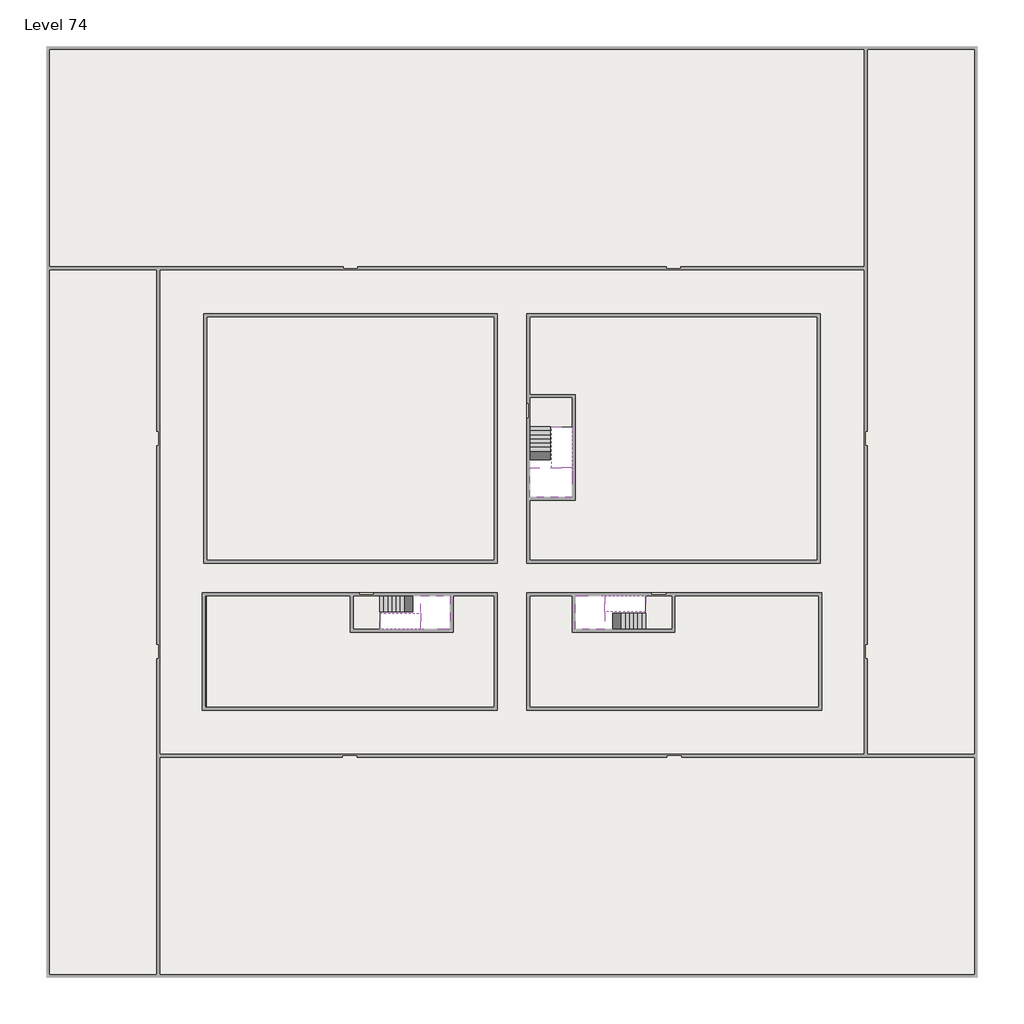
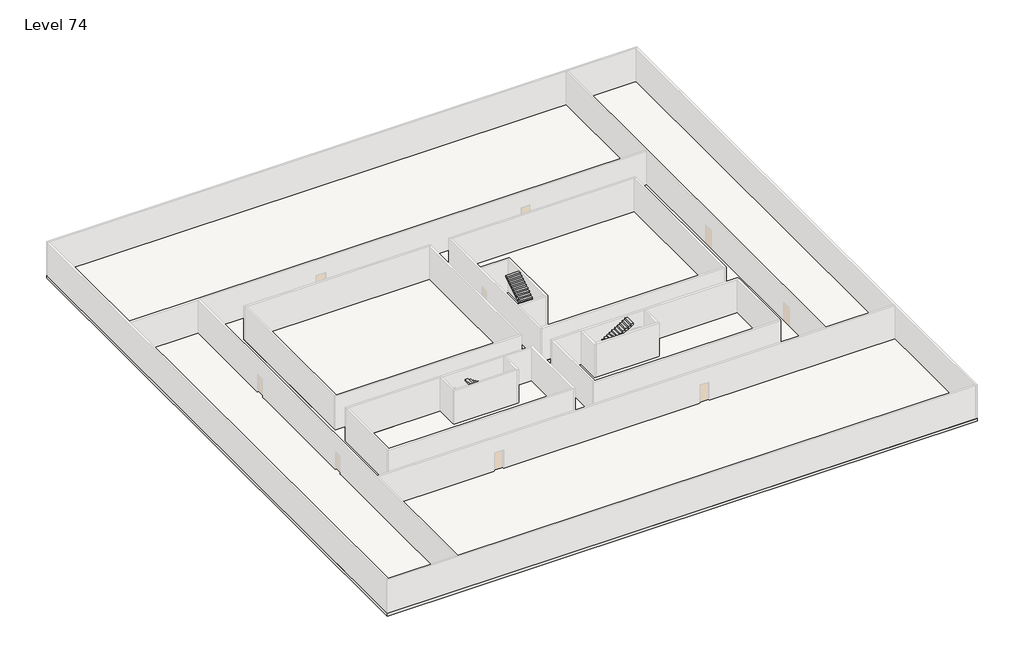
# One storey, part 2 of 2: 6 slabs, 6 stair flights.
"""IFC4 building model written with IfcOpenShell, lengths in millimetres."""

from ifc_helpers import new_model, si_unit, frame, origin, place, context, project, spatial, polyline, outline, extrude, faceted_brep, element, save

model = new_model("IFC4")

# Units and contexts
model_context = context("Model", 3, world=origin())
ifc_project = project(units=[si_unit("LENGTHUNIT", "METRE", prefix="MILLI")], contexts=[model_context])

# Site, building, storey
site = spatial("IfcSite", under=ifc_project)
building = spatial("IfcBuilding", under=site)
storey = spatial("IfcBuildingStorey", under=building, Name="Level 74", Elevation=277400.0)

# Slabs
placement = place(None, origin())
element("IfcSlab", 1, at=placement, inside=storey, context=model_context, shape_type="SweptSolid", body=[
    extrude(outline(polyline([(55890.1058784, -5518.09644), (55890.1058784, -68918.09644), (-7509.8941216, -68918.09644), (-7509.8941216, -5518.09644), (55890.1058784, -5518.09644)]), holes=[polyline([(23190.1058784, -23718.09644), (3190.1058784, -23718.09644), (3190.1058784, -40718.09644), (23190.1058784, -40718.09644), (23190.1058784, -23718.09644)]), polyline([(45190.1058784, -23718.09644), (25190.1058784, -23718.09644), (25190.1058784, -40718.09644), (45190.1058784, -40718.09644), (45190.1058784, -23718.09644)]), polyline([(23190.1058784, -50718.09644), (23190.1058784, -42718.09644), (3390.1058784, -42718.09644), (3390.1058784, -50718.09644), (23190.1058784, -50718.09644)]), polyline([(25190.1058784, -50718.09644), (45190.1058784, -50718.09644), (45190.1058784, -42718.09644), (25190.1058784, -42718.09644), (25190.1058784, -50718.09644)])]), frame((0.0, 0.0, 277100.0), z_axis=(0.0, 0.0, 1.0), x_axis=(1.0, 0.0, 0.0)), (0.0, 0.0, 1.0), 300.0),
])
element("IfcSlab", 2, at=placement, inside=storey, context=model_context, shape_type="Brep", body=[
    faceted_brep([(26790.1058784, -34218.09644, 279300.0), (25390.1058784, -34218.09644, 279300.0), (25390.1058784, -34297.4828763, 279300.0), (25390.1058784, -36218.09644, 279300.0), (28290.1058784, -36218.09644, 279300.0), (28290.1058784, -34418.7100038, 279300.0), (28290.1058784, -34218.09644, 279300.0), (26890.1058784, -34218.09644, 279300.0), (26790.1058784, -34218.09644, 279000.0), (26790.1058784, -34218.09644, 278951.0278478), (25390.1058784, -34218.09644, 278951.0278478), (25390.1058784, -34218.09644, 279127.2727273), (25390.1058784, -34297.4828763, 279000.0), (25390.1058784, -36218.09644, 279000.0), (28290.1058784, -36218.09644, 279000.0), (28290.1058784, -34418.7100038, 279000.0), (28290.1058784, -34218.09644, 279123.7551205), (26890.1058784, -34218.09644, 279123.7551205), (26890.1058784, -34218.09644, 279000.0), (26890.1058784, -34418.7100038, 279000.0), (26790.1058784, -34297.4828763, 279000.0)], [[[0, 1, 2, 3, 4, 5, 6, 7]], [[1, 0, 8, 9, 10, 11]], [[1, 11, 10, 12, 13, 3, 2]], [[4, 3, 13, 14]], [[4, 14, 15, 16, 6, 5]], [[7, 6, 16, 17]], [[0, 7, 17, 18, 8]], [[18, 19, 15, 14, 13, 12, 20, 8]], [[19, 18, 17]], [[20, 12, 10, 9]], [[8, 20, 9]], [[15, 19, 17, 16]]]),
])
element("IfcSlab", 3, at=placement, inside=storey, context=model_context, shape_type="SweptSolid", body=[
    extrude(outline(polyline([(22990.1058784, -23918.09644), (22990.1058784, -40518.09644), (3390.1058784, -40518.09644), (3390.1058784, -23918.09644), (22990.1058784, -23918.09644)])), frame((0.0, 0.0, 277100.0), z_axis=(0.0, 0.0, 1.0), x_axis=(1.0, 0.0, 0.0)), (0.0, 0.0, 1.0), 300.0),
    extrude(outline(polyline([(44990.1058784, -23918.09644), (44990.1058784, -40518.09644), (25390.1058784, -40518.09644), (25390.1058784, -36418.09644), (28490.1058784, -36418.09644), (28490.1058784, -29218.09644), (25390.1058784, -29218.09644), (25390.1058784, -23918.09644), (44990.1058784, -23918.09644)])), frame((0.0, 0.0, 277100.0), z_axis=(0.0, 0.0, 1.0), x_axis=(1.0, 0.0, 0.0)), (0.0, 0.0, 1.0), 300.0),
    extrude(outline(polyline([(22990.1058784, -42918.09644), (22990.1058784, -50518.09644), (3390.1058784, -50518.09644), (3390.1058784, -42918.09644), (13190.1058784, -42918.09644), (13190.1058784, -45418.09644), (20190.1058784, -45418.09644), (20190.1058784, -42918.09644), (22990.1058784, -42918.09644)])), frame((0.0, 0.0, 277100.0), z_axis=(0.0, 0.0, 1.0), x_axis=(1.0, 0.0, 0.0)), (0.0, 0.0, 1.0), 300.0),
    extrude(outline(polyline([(28290.1058784, -42918.09644), (28290.1058784, -45418.09644), (35290.1058784, -45418.09644), (35290.1058784, -42918.09644), (45090.1058784, -42918.09644), (45090.1058784, -50518.09644), (25390.1058784, -50518.09644), (25390.1058784, -42918.09644), (28290.1058784, -42918.09644)])), frame((0.0, 0.0, 277100.0), z_axis=(0.0, 0.0, 1.0), x_axis=(1.0, 0.0, 0.0)), (0.0, 0.0, 1.0), 300.0),
])
element("IfcSlab", 4, at=placement, inside=storey, context=model_context, shape_type="Brep", body=[
    faceted_brep([(30490.1058784, -45218.09644, 279300.0), (30490.1058784, -44118.09644, 279300.0), (30490.1058784, -44018.09644, 279300.0), (30490.1058784, -42918.09644, 279300.0), (30289.4923146, -42918.09644, 279300.0), (28490.1058784, -42918.09644, 279300.0), (28490.1058784, -45218.09644, 279300.0), (30410.7194421, -45218.09644, 279300.0), (30490.1058784, -45218.09644, 279127.2727273), (30490.1058784, -45218.09644, 278951.0278478), (30490.1058784, -44118.09644, 278951.0278478), (30490.1058784, -44118.09644, 279000.0), (30490.1058784, -44018.09644, 279000.0), (30490.1058784, -44018.09644, 279123.7551205), (30490.1058784, -42918.09644, 279123.7551205), (30289.4923146, -42918.09644, 279000.0), (28490.1058784, -42918.09644, 279000.0), (28490.1058784, -45218.09644, 279000.0), (30410.7194421, -45218.09644, 279000.0), (30289.4923146, -44018.09644, 279000.0), (30410.7194421, -44118.09644, 279000.0)], [[[0, 1, 2, 3, 4, 5, 6, 7]], [[1, 0, 8, 9, 10, 11]], [[2, 1, 11, 12, 13]], [[3, 2, 13, 14]], [[3, 14, 15, 16, 5, 4]], [[6, 5, 16, 17]], [[9, 8, 0, 7, 6, 17, 18]], [[19, 12, 11, 20, 18, 17, 16, 15]], [[12, 19, 13]], [[18, 20, 10, 9]], [[20, 11, 10]], [[19, 15, 14, 13]]]),
])
element("IfcSlab", 5, at=placement, inside=storey, context=model_context, shape_type="Brep", body=[
    faceted_brep([(17990.1058784, -42918.09644, 279300.0), (17990.1058784, -44018.09644, 279300.0), (17990.1058784, -44118.09644, 279300.0), (17990.1058784, -45218.09644, 279300.0), (18190.7194421, -45218.09644, 279300.0), (19990.1058784, -45218.09644, 279300.0), (19990.1058784, -42918.09644, 279300.0), (18069.4923146, -42918.09644, 279300.0), (17990.1058784, -42918.09644, 279127.2727273), (17990.1058784, -42918.09644, 278951.0278478), (17990.1058784, -44018.09644, 278951.0278478), (17990.1058784, -44018.09644, 279000.0), (17990.1058784, -44118.09644, 279000.0), (17990.1058784, -44118.09644, 279123.7551205), (17990.1058784, -45218.09644, 279123.7551205), (18190.7194421, -45218.09644, 279000.0), (19990.1058784, -45218.09644, 279000.0), (19990.1058784, -42918.09644, 279000.0), (18069.4923146, -42918.09644, 279000.0), (18190.7194421, -44118.09644, 279000.0), (18069.4923146, -44018.09644, 279000.0)], [[[0, 1, 2, 3, 4, 5, 6, 7]], [[1, 0, 8, 9, 10, 11]], [[2, 1, 11, 12, 13]], [[3, 2, 13, 14]], [[3, 14, 15, 16, 5, 4]], [[6, 5, 16, 17]], [[9, 8, 0, 7, 6, 17, 18]], [[19, 12, 11, 20, 18, 17, 16, 15]], [[12, 19, 13]], [[18, 20, 10, 9]], [[20, 11, 10]], [[19, 15, 14, 13]]]),
])
element("IfcSlab", 6, at=placement, inside=storey, context=model_context, shape_type="SweptSolid", body=[
    extrude(outline(polyline([(25190.1058784, -29418.09644), (28290.1058784, -29418.09644), (28290.1058784, -31418.09644), (25190.1058784, -31418.09644), (25190.1058784, -29418.09644)])), frame((0.0, 0.0, 277100.0), z_axis=(0.0, 0.0, 1.0), x_axis=(1.0, 0.0, 0.0)), (0.0, 0.0, 1.0), 300.0),
    extrude(outline(polyline([(15190.1058784, -45218.09644), (13390.1058784, -45218.09644), (13390.1058784, -42718.09644), (15190.1058784, -42718.09644), (15190.1058784, -45218.09644)])), frame((0.0, 0.0, 277100.0), z_axis=(0.0, 0.0, 1.0), x_axis=(1.0, 0.0, 0.0)), (0.0, 0.0, 1.0), 300.0),
    extrude(outline(polyline([(35090.1058784, -45218.09644), (33290.1058784, -45218.09644), (33290.1058784, -42718.09644), (35090.1058784, -42718.09644), (35090.1058784, -45218.09644)])), frame((0.0, 0.0, 277100.0), z_axis=(0.0, 0.0, 1.0), x_axis=(1.0, 0.0, 0.0)), (0.0, 0.0, 1.0), 300.0),
])

# Stair flights
element("IfcStairFlight", 7, at=placement, inside=storey, context=model_context, shape_type="Brep", body=[
    faceted_brep([(26790.1058784, -31698.09644, 277572.7272727), (26790.1058784, -31418.09644, 277572.7272727), (25390.1058784, -31418.09644, 277572.7272727), (25390.1058784, -31698.09644, 277572.7272727), (26790.1058784, -31698.09644, 277400.0), (26790.1058784, -31418.09644, 277400.0), (25390.1058784, -31418.09644, 277400.0), (25390.1058784, -31698.09644, 277400.0), (26790.1058784, -31978.09644, 277745.4545455), (26790.1058784, -31698.09644, 277745.4545455), (25390.1058784, -31698.09644, 277745.4545455), (25390.1058784, -31978.09644, 277745.4545455), (26790.1058784, -31978.09644, 277569.209666), (26790.1058784, -31703.7986657, 277400.0), (25390.1058784, -31703.7986657, 277400.0), (25390.1058784, -31978.09644, 277569.209666), (26790.1058784, -32258.09644, 277918.1818182), (26790.1058784, -31978.09644, 277918.1818182), (25390.1058784, -31978.09644, 277918.1818182), (25390.1058784, -32258.09644, 277918.1818182), (26790.1058784, -32258.09644, 277741.9369387), (25390.1058784, -32258.09644, 277741.9369387), (26790.1058784, -32538.09644, 278090.9090909), (26790.1058784, -32258.09644, 278090.9090909), (25390.1058784, -32258.09644, 278090.9090909), (25390.1058784, -32538.09644, 278090.9090909), (26790.1058784, -32538.09644, 277914.6642114), (25390.1058784, -32538.09644, 277914.6642114), (26790.1058784, -32818.09644, 278263.6363636), (26790.1058784, -32538.09644, 278263.6363636), (25390.1058784, -32538.09644, 278263.6363636), (25390.1058784, -32818.09644, 278263.6363636), (26790.1058784, -32818.09644, 278087.3914841), (25390.1058784, -32818.09644, 278087.3914841), (26790.1058784, -33098.09644, 278436.3636364), (26790.1058784, -32818.09644, 278436.3636364), (25390.1058784, -32818.09644, 278436.3636364), (25390.1058784, -33098.09644, 278436.3636364), (26790.1058784, -33098.09644, 278260.1187569), (25390.1058784, -33098.09644, 278260.1187569), (26790.1058784, -33378.09644, 278609.0909091), (26790.1058784, -33098.09644, 278609.0909091), (25390.1058784, -33098.09644, 278609.0909091), (25390.1058784, -33378.09644, 278609.0909091), (26790.1058784, -33378.09644, 278432.8460296), (25390.1058784, -33378.09644, 278432.8460296), (26790.1058784, -33658.09644, 278781.8181818), (26790.1058784, -33378.09644, 278781.8181818), (25390.1058784, -33378.09644, 278781.8181818), (25390.1058784, -33658.09644, 278781.8181818), (26790.1058784, -33658.09644, 278605.5733023), (25390.1058784, -33658.09644, 278605.5733023), (26790.1058784, -33938.09644, 278954.5454545), (26790.1058784, -33658.09644, 278954.5454545), (25390.1058784, -33658.09644, 278954.5454545), (25390.1058784, -33938.09644, 278954.5454545), (26790.1058784, -33938.09644, 278778.3005751), (25390.1058784, -33938.09644, 278778.3005751), (26790.1058784, -34218.09644, 279127.2727273), (26790.1058784, -33938.09644, 279127.2727273), (25390.1058784, -33938.09644, 279127.2727273), (25390.1058784, -34218.09644, 279127.2727273), (26790.1058784, -34218.09644, 279000.0), (26790.1058784, -34218.09644, 278951.0278478), (25390.1058784, -34218.09644, 278951.0278478)], [[[0, 1, 2, 3]], [[1, 0, 4, 5]], [[2, 1, 5, 6]], [[3, 2, 6, 7]], [[8, 9, 10, 11]], [[4, 0, 9, 8, 12, 13]], [[0, 3, 10, 9]], [[3, 7, 14, 15, 11, 10]], [[16, 17, 18, 19]], [[17, 16, 20, 12, 8]], [[8, 11, 18, 17]], [[19, 18, 11, 15, 21]], [[22, 23, 24, 25]], [[23, 22, 26, 20, 16]], [[16, 19, 24, 23]], [[25, 24, 19, 21, 27]], [[28, 29, 30, 31]], [[29, 28, 32, 26, 22]], [[22, 25, 30, 29]], [[31, 30, 25, 27, 33]], [[34, 35, 36, 37]], [[35, 34, 38, 32, 28]], [[28, 31, 36, 35]], [[37, 36, 31, 33, 39]], [[40, 41, 42, 43]], [[41, 40, 44, 38, 34]], [[34, 37, 42, 41]], [[43, 42, 37, 39, 45]], [[46, 47, 48, 49]], [[47, 46, 50, 44, 40]], [[40, 43, 48, 47]], [[49, 48, 43, 45, 51]], [[52, 53, 54, 55]], [[53, 52, 56, 50, 46]], [[46, 49, 54, 53]], [[55, 54, 49, 51, 57]], [[58, 59, 60, 61]], [[59, 58, 62, 63, 56, 52]], [[52, 55, 60, 59]], [[61, 60, 55, 57, 64]], [[58, 61, 64, 63, 62]], [[5, 4, 13, 14, 7, 6]], [[14, 13, 12, 20, 26, 32, 38, 44, 50, 56, 63, 64, 57, 51, 45, 39, 33, 27, 21, 15]]]),
])
element("IfcStairFlight", 8, at=placement, inside=storey, context=model_context, shape_type="Brep", body=[
    faceted_brep([(26890.1058784, -33938.09644, 279472.7272727), (26890.1058784, -34218.09644, 279472.7272727), (28290.1058784, -34218.09644, 279472.7272727), (28290.1058784, -33938.09644, 279472.7272727), (26890.1058784, -33938.09644, 279296.4823932), (26890.1058784, -34218.09644, 279123.7551205), (28290.1058784, -34218.09644, 279123.7551205), (28290.1058784, -34218.09644, 279300.0), (28290.1058784, -33938.09644, 279296.4823932), (26890.1058784, -33658.09644, 279645.4545455), (26890.1058784, -33938.09644, 279645.4545455), (28290.1058784, -33938.09644, 279645.4545455), (28290.1058784, -33658.09644, 279645.4545455), (26890.1058784, -33658.09644, 279469.209666), (28290.1058784, -33658.09644, 279469.209666), (26890.1058784, -33378.09644, 279818.1818182), (26890.1058784, -33658.09644, 279818.1818182), (28290.1058784, -33658.09644, 279818.1818182), (28290.1058784, -33378.09644, 279818.1818182), (26890.1058784, -33378.09644, 279641.9369387), (28290.1058784, -33378.09644, 279641.9369387), (26890.1058784, -33098.09644, 279990.9090909), (26890.1058784, -33378.09644, 279990.9090909), (28290.1058784, -33378.09644, 279990.9090909), (28290.1058784, -33098.09644, 279990.9090909), (26890.1058784, -33098.09644, 279814.6642114), (28290.1058784, -33098.09644, 279814.6642114), (26890.1058784, -32818.09644, 280163.6363636), (26890.1058784, -33098.09644, 280163.6363636), (28290.1058784, -33098.09644, 280163.6363636), (28290.1058784, -32818.09644, 280163.6363636), (26890.1058784, -32818.09644, 279987.3914841), (28290.1058784, -32818.09644, 279987.3914841), (26890.1058784, -32538.09644, 280336.3636364), (26890.1058784, -32818.09644, 280336.3636364), (28290.1058784, -32818.09644, 280336.3636364), (28290.1058784, -32538.09644, 280336.3636364), (26890.1058784, -32538.09644, 280160.1187569), (28290.1058784, -32538.09644, 280160.1187569), (26890.1058784, -32258.09644, 280509.0909091), (26890.1058784, -32538.09644, 280509.0909091), (28290.1058784, -32538.09644, 280509.0909091), (28290.1058784, -32258.09644, 280509.0909091), (26890.1058784, -32258.09644, 280332.8460296), (28290.1058784, -32258.09644, 280332.8460296), (26890.1058784, -31978.09644, 280681.8181818), (26890.1058784, -32258.09644, 280681.8181818), (28290.1058784, -32258.09644, 280681.8181818), (28290.1058784, -31978.09644, 280681.8181818), (26890.1058784, -31978.09644, 280505.5733023), (28290.1058784, -31978.09644, 280505.5733023), (26890.1058784, -31698.09644, 280854.5454545), (26890.1058784, -31978.09644, 280854.5454545), (28290.1058784, -31978.09644, 280854.5454545), (28290.1058784, -31698.09644, 280854.5454545), (26890.1058784, -31698.09644, 280678.3005751), (28290.1058784, -31698.09644, 280678.3005751), (26890.1058784, -31418.09644, 281027.2727273), (26890.1058784, -31698.09644, 281027.2727273), (28290.1058784, -31698.09644, 281027.2727273), (28290.1058784, -31418.09644, 281027.2727273), (26890.1058784, -31418.09644, 280851.0278478), (28290.1058784, -31418.09644, 280851.0278478)], [[[0, 1, 2, 3]], [[1, 0, 4, 5]], [[2, 1, 5, 6, 7]], [[3, 2, 7, 6, 8]], [[9, 10, 11, 12]], [[10, 9, 13, 4, 0]], [[11, 10, 0, 3]], [[12, 11, 3, 8, 14]], [[15, 16, 17, 18]], [[16, 15, 19, 13, 9]], [[17, 16, 9, 12]], [[18, 17, 12, 14, 20]], [[21, 22, 23, 24]], [[22, 21, 25, 19, 15]], [[23, 22, 15, 18]], [[24, 23, 18, 20, 26]], [[27, 28, 29, 30]], [[28, 27, 31, 25, 21]], [[29, 28, 21, 24]], [[30, 29, 24, 26, 32]], [[33, 34, 35, 36]], [[34, 33, 37, 31, 27]], [[35, 34, 27, 30]], [[36, 35, 30, 32, 38]], [[39, 40, 41, 42]], [[40, 39, 43, 37, 33]], [[41, 40, 33, 36]], [[42, 41, 36, 38, 44]], [[45, 46, 47, 48]], [[46, 45, 49, 43, 39]], [[47, 46, 39, 42]], [[48, 47, 42, 44, 50]], [[51, 52, 53, 54]], [[52, 51, 55, 49, 45]], [[53, 52, 45, 48]], [[54, 53, 48, 50, 56]], [[57, 58, 59, 60]], [[58, 57, 61, 55, 51]], [[59, 58, 51, 54]], [[60, 59, 54, 56, 62]], [[57, 60, 62, 61]], [[5, 4, 13, 19, 25, 31, 37, 43, 49, 55, 61, 62, 56, 50, 44, 38, 32, 26, 20, 14, 8, 6]]]),
])
element("IfcStairFlight", 9, at=placement, inside=storey, context=model_context, shape_type="Brep", body=[
    faceted_brep([(33010.1058784, -45218.09644, 277572.7272727), (33290.1058784, -45218.09644, 277572.7272727), (33290.1058784, -44118.09644, 277572.7272727), (33010.1058784, -44118.09644, 277572.7272727), (33010.1058784, -45218.09644, 277400.0), (33290.1058784, -45218.09644, 277400.0), (33290.1058784, -44118.09644, 277400.0), (33010.1058784, -44118.09644, 277400.0), (32730.1058784, -45218.09644, 277745.4545455), (33010.1058784, -45218.09644, 277745.4545455), (33010.1058784, -44118.09644, 277745.4545455), (32730.1058784, -44118.09644, 277745.4545455), (32730.1058784, -45218.09644, 277569.209666), (33004.4036527, -45218.09644, 277400.0), (33004.4036527, -44118.09644, 277400.0), (32730.1058784, -44118.09644, 277569.209666), (32450.1058784, -45218.09644, 277918.1818182), (32730.1058784, -45218.09644, 277918.1818182), (32730.1058784, -44118.09644, 277918.1818182), (32450.1058784, -44118.09644, 277918.1818182), (32450.1058784, -45218.09644, 277741.9369387), (32450.1058784, -44118.09644, 277741.9369387), (32170.1058784, -45218.09644, 278090.9090909), (32450.1058784, -45218.09644, 278090.9090909), (32450.1058784, -44118.09644, 278090.9090909), (32170.1058784, -44118.09644, 278090.9090909), (32170.1058784, -45218.09644, 277914.6642114), (32170.1058784, -44118.09644, 277914.6642114), (31890.1058784, -45218.09644, 278263.6363636), (32170.1058784, -45218.09644, 278263.6363636), (32170.1058784, -44118.09644, 278263.6363636), (31890.1058784, -44118.09644, 278263.6363636), (31890.1058784, -45218.09644, 278087.3914841), (31890.1058784, -44118.09644, 278087.3914841), (31610.1058784, -45218.09644, 278436.3636364), (31890.1058784, -45218.09644, 278436.3636364), (31890.1058784, -44118.09644, 278436.3636364), (31610.1058784, -44118.09644, 278436.3636364), (31610.1058784, -45218.09644, 278260.1187569), (31610.1058784, -44118.09644, 278260.1187569), (31330.1058784, -45218.09644, 278609.0909091), (31610.1058784, -45218.09644, 278609.0909091), (31610.1058784, -44118.09644, 278609.0909091), (31330.1058784, -44118.09644, 278609.0909091), (31330.1058784, -45218.09644, 278432.8460296), (31330.1058784, -44118.09644, 278432.8460296), (31050.1058784, -45218.09644, 278781.8181818), (31330.1058784, -45218.09644, 278781.8181818), (31330.1058784, -44118.09644, 278781.8181818), (31050.1058784, -44118.09644, 278781.8181818), (31050.1058784, -45218.09644, 278605.5733023), (31050.1058784, -44118.09644, 278605.5733023), (30770.1058784, -45218.09644, 278954.5454545), (31050.1058784, -45218.09644, 278954.5454545), (31050.1058784, -44118.09644, 278954.5454545), (30770.1058784, -44118.09644, 278954.5454545), (30770.1058784, -45218.09644, 278778.3005751), (30770.1058784, -44118.09644, 278778.3005751), (30490.1058784, -45218.09644, 279127.2727273), (30770.1058784, -45218.09644, 279127.2727273), (30770.1058784, -44118.09644, 279127.2727273), (30490.1058784, -44118.09644, 279127.2727273), (30490.1058784, -45218.09644, 278951.0278478), (30490.1058784, -44118.09644, 278951.0278478), (30490.1058784, -44118.09644, 279000.0)], [[[0, 1, 2, 3]], [[1, 0, 4, 5]], [[2, 1, 5, 6]], [[3, 2, 6, 7]], [[8, 9, 10, 11]], [[4, 0, 9, 8, 12, 13]], [[0, 3, 10, 9]], [[3, 7, 14, 15, 11, 10]], [[16, 17, 18, 19]], [[17, 16, 20, 12, 8]], [[8, 11, 18, 17]], [[19, 18, 11, 15, 21]], [[22, 23, 24, 25]], [[23, 22, 26, 20, 16]], [[16, 19, 24, 23]], [[25, 24, 19, 21, 27]], [[28, 29, 30, 31]], [[29, 28, 32, 26, 22]], [[22, 25, 30, 29]], [[31, 30, 25, 27, 33]], [[34, 35, 36, 37]], [[35, 34, 38, 32, 28]], [[28, 31, 36, 35]], [[37, 36, 31, 33, 39]], [[40, 41, 42, 43]], [[41, 40, 44, 38, 34]], [[34, 37, 42, 41]], [[43, 42, 37, 39, 45]], [[46, 47, 48, 49]], [[47, 46, 50, 44, 40]], [[40, 43, 48, 47]], [[49, 48, 43, 45, 51]], [[52, 53, 54, 55]], [[53, 52, 56, 50, 46]], [[46, 49, 54, 53]], [[55, 54, 49, 51, 57]], [[58, 59, 60, 61]], [[59, 58, 62, 56, 52]], [[52, 55, 60, 59]], [[61, 60, 55, 57, 63, 64]], [[58, 61, 64, 63, 62]], [[5, 4, 13, 14, 7, 6]], [[14, 13, 12, 20, 26, 32, 38, 44, 50, 56, 62, 63, 57, 51, 45, 39, 33, 27, 21, 15]]]),
])
element("IfcStairFlight", 10, at=placement, inside=storey, context=model_context, shape_type="Brep", body=[
    faceted_brep([(30770.1058784, -42918.09644, 279472.7272727), (30490.1058784, -42918.09644, 279472.7272727), (30490.1058784, -44018.09644, 279472.7272727), (30770.1058784, -44018.09644, 279472.7272727), (30770.1058784, -42918.09644, 279296.4823932), (30490.1058784, -42918.09644, 279123.7551205), (30490.1058784, -42918.09644, 279300.0), (30490.1058784, -44018.09644, 279123.7551205), (30770.1058784, -44018.09644, 279296.4823932), (31050.1058784, -42918.09644, 279645.4545455), (30770.1058784, -42918.09644, 279645.4545455), (30770.1058784, -44018.09644, 279645.4545455), (31050.1058784, -44018.09644, 279645.4545455), (31050.1058784, -42918.09644, 279469.209666), (31050.1058784, -44018.09644, 279469.209666), (31330.1058784, -42918.09644, 279818.1818182), (31050.1058784, -42918.09644, 279818.1818182), (31050.1058784, -44018.09644, 279818.1818182), (31330.1058784, -44018.09644, 279818.1818182), (31330.1058784, -42918.09644, 279641.9369387), (31330.1058784, -44018.09644, 279641.9369387), (31610.1058784, -42918.09644, 279990.9090909), (31330.1058784, -42918.09644, 279990.9090909), (31330.1058784, -44018.09644, 279990.9090909), (31610.1058784, -44018.09644, 279990.9090909), (31610.1058784, -42918.09644, 279814.6642114), (31610.1058784, -44018.09644, 279814.6642114), (31890.1058784, -42918.09644, 280163.6363636), (31610.1058784, -42918.09644, 280163.6363636), (31610.1058784, -44018.09644, 280163.6363636), (31890.1058784, -44018.09644, 280163.6363636), (31890.1058784, -42918.09644, 279987.3914841), (31890.1058784, -44018.09644, 279987.3914841), (32170.1058784, -42918.09644, 280336.3636364), (31890.1058784, -42918.09644, 280336.3636364), (31890.1058784, -44018.09644, 280336.3636364), (32170.1058784, -44018.09644, 280336.3636364), (32170.1058784, -42918.09644, 280160.1187569), (32170.1058784, -44018.09644, 280160.1187569), (32450.1058784, -42918.09644, 280509.0909091), (32170.1058784, -42918.09644, 280509.0909091), (32170.1058784, -44018.09644, 280509.0909091), (32450.1058784, -44018.09644, 280509.0909091), (32450.1058784, -42918.09644, 280332.8460296), (32450.1058784, -44018.09644, 280332.8460296), (32730.1058784, -42918.09644, 280681.8181818), (32450.1058784, -42918.09644, 280681.8181818), (32450.1058784, -44018.09644, 280681.8181818), (32730.1058784, -44018.09644, 280681.8181818), (32730.1058784, -42918.09644, 280505.5733023), (32730.1058784, -44018.09644, 280505.5733023), (33010.1058784, -42918.09644, 280854.5454545), (32730.1058784, -42918.09644, 280854.5454545), (32730.1058784, -44018.09644, 280854.5454545), (33010.1058784, -44018.09644, 280854.5454545), (33010.1058784, -42918.09644, 280678.3005751), (33010.1058784, -44018.09644, 280678.3005751), (33290.1058784, -42918.09644, 281027.2727273), (33010.1058784, -42918.09644, 281027.2727273), (33010.1058784, -44018.09644, 281027.2727273), (33290.1058784, -44018.09644, 281027.2727273), (33290.1058784, -42918.09644, 280851.0278478), (33290.1058784, -44018.09644, 280851.0278478)], [[[0, 1, 2, 3]], [[1, 0, 4, 5, 6]], [[2, 1, 6, 5, 7]], [[3, 2, 7, 8]], [[9, 10, 11, 12]], [[10, 9, 13, 4, 0]], [[11, 10, 0, 3]], [[12, 11, 3, 8, 14]], [[15, 16, 17, 18]], [[16, 15, 19, 13, 9]], [[17, 16, 9, 12]], [[18, 17, 12, 14, 20]], [[21, 22, 23, 24]], [[22, 21, 25, 19, 15]], [[23, 22, 15, 18]], [[24, 23, 18, 20, 26]], [[27, 28, 29, 30]], [[28, 27, 31, 25, 21]], [[29, 28, 21, 24]], [[30, 29, 24, 26, 32]], [[33, 34, 35, 36]], [[34, 33, 37, 31, 27]], [[35, 34, 27, 30]], [[36, 35, 30, 32, 38]], [[39, 40, 41, 42]], [[40, 39, 43, 37, 33]], [[41, 40, 33, 36]], [[42, 41, 36, 38, 44]], [[45, 46, 47, 48]], [[46, 45, 49, 43, 39]], [[47, 46, 39, 42]], [[48, 47, 42, 44, 50]], [[51, 52, 53, 54]], [[52, 51, 55, 49, 45]], [[53, 52, 45, 48]], [[54, 53, 48, 50, 56]], [[57, 58, 59, 60]], [[58, 57, 61, 55, 51]], [[59, 58, 51, 54]], [[60, 59, 54, 56, 62]], [[57, 60, 62, 61]], [[5, 4, 13, 19, 25, 31, 37, 43, 49, 55, 61, 62, 56, 50, 44, 38, 32, 26, 20, 14, 8, 7]]]),
])
element("IfcStairFlight", 11, at=placement, inside=storey, context=model_context, shape_type="Brep", body=[
    faceted_brep([(15470.1058784, -42918.09644, 277572.7272727), (15190.1058784, -42918.09644, 277572.7272727), (15190.1058784, -44018.09644, 277572.7272727), (15470.1058784, -44018.09644, 277572.7272727), (15470.1058784, -42918.09644, 277400.0), (15190.1058784, -42918.09644, 277400.0), (15190.1058784, -44018.09644, 277400.0), (15470.1058784, -44018.09644, 277400.0), (15750.1058784, -42918.09644, 277745.4545455), (15470.1058784, -42918.09644, 277745.4545455), (15470.1058784, -44018.09644, 277745.4545455), (15750.1058784, -44018.09644, 277745.4545455), (15750.1058784, -42918.09644, 277569.209666), (15475.8081041, -42918.09644, 277400.0), (15475.8081041, -44018.09644, 277400.0), (15750.1058784, -44018.09644, 277569.209666), (16030.1058784, -42918.09644, 277918.1818182), (15750.1058784, -42918.09644, 277918.1818182), (15750.1058784, -44018.09644, 277918.1818182), (16030.1058784, -44018.09644, 277918.1818182), (16030.1058784, -42918.09644, 277741.9369387), (16030.1058784, -44018.09644, 277741.9369387), (16310.1058784, -42918.09644, 278090.9090909), (16030.1058784, -42918.09644, 278090.9090909), (16030.1058784, -44018.09644, 278090.9090909), (16310.1058784, -44018.09644, 278090.9090909), (16310.1058784, -42918.09644, 277914.6642114), (16310.1058784, -44018.09644, 277914.6642114), (16590.1058784, -42918.09644, 278263.6363636), (16310.1058784, -42918.09644, 278263.6363636), (16310.1058784, -44018.09644, 278263.6363636), (16590.1058784, -44018.09644, 278263.6363636), (16590.1058784, -42918.09644, 278087.3914841), (16590.1058784, -44018.09644, 278087.3914841), (16870.1058784, -42918.09644, 278436.3636364), (16590.1058784, -42918.09644, 278436.3636364), (16590.1058784, -44018.09644, 278436.3636364), (16870.1058784, -44018.09644, 278436.3636364), (16870.1058784, -42918.09644, 278260.1187569), (16870.1058784, -44018.09644, 278260.1187569), (17150.1058784, -42918.09644, 278609.0909091), (16870.1058784, -42918.09644, 278609.0909091), (16870.1058784, -44018.09644, 278609.0909091), (17150.1058784, -44018.09644, 278609.0909091), (17150.1058784, -42918.09644, 278432.8460296), (17150.1058784, -44018.09644, 278432.8460296), (17430.1058784, -42918.09644, 278781.8181818), (17150.1058784, -42918.09644, 278781.8181818), (17150.1058784, -44018.09644, 278781.8181818), (17430.1058784, -44018.09644, 278781.8181818), (17430.1058784, -42918.09644, 278605.5733023), (17430.1058784, -44018.09644, 278605.5733023), (17710.1058784, -42918.09644, 278954.5454545), (17430.1058784, -42918.09644, 278954.5454545), (17430.1058784, -44018.09644, 278954.5454545), (17710.1058784, -44018.09644, 278954.5454545), (17710.1058784, -42918.09644, 278778.3005751), (17710.1058784, -44018.09644, 278778.3005751), (17990.1058784, -42918.09644, 279127.2727273), (17710.1058784, -42918.09644, 279127.2727273), (17710.1058784, -44018.09644, 279127.2727273), (17990.1058784, -44018.09644, 279127.2727273), (17990.1058784, -42918.09644, 278951.0278478), (17990.1058784, -44018.09644, 278951.0278478), (17990.1058784, -44018.09644, 279000.0)], [[[0, 1, 2, 3]], [[1, 0, 4, 5]], [[2, 1, 5, 6]], [[3, 2, 6, 7]], [[8, 9, 10, 11]], [[4, 0, 9, 8, 12, 13]], [[0, 3, 10, 9]], [[3, 7, 14, 15, 11, 10]], [[16, 17, 18, 19]], [[17, 16, 20, 12, 8]], [[8, 11, 18, 17]], [[19, 18, 11, 15, 21]], [[22, 23, 24, 25]], [[23, 22, 26, 20, 16]], [[16, 19, 24, 23]], [[25, 24, 19, 21, 27]], [[28, 29, 30, 31]], [[29, 28, 32, 26, 22]], [[22, 25, 30, 29]], [[31, 30, 25, 27, 33]], [[34, 35, 36, 37]], [[35, 34, 38, 32, 28]], [[28, 31, 36, 35]], [[37, 36, 31, 33, 39]], [[40, 41, 42, 43]], [[41, 40, 44, 38, 34]], [[34, 37, 42, 41]], [[43, 42, 37, 39, 45]], [[46, 47, 48, 49]], [[47, 46, 50, 44, 40]], [[40, 43, 48, 47]], [[49, 48, 43, 45, 51]], [[52, 53, 54, 55]], [[53, 52, 56, 50, 46]], [[46, 49, 54, 53]], [[55, 54, 49, 51, 57]], [[58, 59, 60, 61]], [[59, 58, 62, 56, 52]], [[52, 55, 60, 59]], [[61, 60, 55, 57, 63, 64]], [[58, 61, 64, 63, 62]], [[5, 4, 13, 14, 7, 6]], [[14, 13, 12, 20, 26, 32, 38, 44, 50, 56, 62, 63, 57, 51, 45, 39, 33, 27, 21, 15]]]),
])
element("IfcStairFlight", 12, at=placement, inside=storey, context=model_context, shape_type="Brep", body=[
    faceted_brep([(17710.1058784, -45218.09644, 279472.7272727), (17990.1058784, -45218.09644, 279472.7272727), (17990.1058784, -44118.09644, 279472.7272727), (17710.1058784, -44118.09644, 279472.7272727), (17710.1058784, -45218.09644, 279296.4823932), (17990.1058784, -45218.09644, 279123.7551205), (17990.1058784, -45218.09644, 279300.0), (17990.1058784, -44118.09644, 279123.7551205), (17710.1058784, -44118.09644, 279296.4823932), (17430.1058784, -45218.09644, 279645.4545455), (17710.1058784, -45218.09644, 279645.4545455), (17710.1058784, -44118.09644, 279645.4545455), (17430.1058784, -44118.09644, 279645.4545455), (17430.1058784, -45218.09644, 279469.209666), (17430.1058784, -44118.09644, 279469.209666), (17150.1058784, -45218.09644, 279818.1818182), (17430.1058784, -45218.09644, 279818.1818182), (17430.1058784, -44118.09644, 279818.1818182), (17150.1058784, -44118.09644, 279818.1818182), (17150.1058784, -45218.09644, 279641.9369387), (17150.1058784, -44118.09644, 279641.9369387), (16870.1058784, -45218.09644, 279990.9090909), (17150.1058784, -45218.09644, 279990.9090909), (17150.1058784, -44118.09644, 279990.9090909), (16870.1058784, -44118.09644, 279990.9090909), (16870.1058784, -45218.09644, 279814.6642114), (16870.1058784, -44118.09644, 279814.6642114), (16590.1058784, -45218.09644, 280163.6363636), (16870.1058784, -45218.09644, 280163.6363636), (16870.1058784, -44118.09644, 280163.6363636), (16590.1058784, -44118.09644, 280163.6363636), (16590.1058784, -45218.09644, 279987.3914841), (16590.1058784, -44118.09644, 279987.3914841), (16310.1058784, -45218.09644, 280336.3636364), (16590.1058784, -45218.09644, 280336.3636364), (16590.1058784, -44118.09644, 280336.3636364), (16310.1058784, -44118.09644, 280336.3636364), (16310.1058784, -45218.09644, 280160.1187569), (16310.1058784, -44118.09644, 280160.1187569), (16030.1058784, -45218.09644, 280509.0909091), (16310.1058784, -45218.09644, 280509.0909091), (16310.1058784, -44118.09644, 280509.0909091), (16030.1058784, -44118.09644, 280509.0909091), (16030.1058784, -45218.09644, 280332.8460296), (16030.1058784, -44118.09644, 280332.8460296), (15750.1058784, -45218.09644, 280681.8181818), (16030.1058784, -45218.09644, 280681.8181818), (16030.1058784, -44118.09644, 280681.8181818), (15750.1058784, -44118.09644, 280681.8181818), (15750.1058784, -45218.09644, 280505.5733023), (15750.1058784, -44118.09644, 280505.5733023), (15470.1058784, -45218.09644, 280854.5454545), (15750.1058784, -45218.09644, 280854.5454545), (15750.1058784, -44118.09644, 280854.5454545), (15470.1058784, -44118.09644, 280854.5454545), (15470.1058784, -45218.09644, 280678.3005751), (15470.1058784, -44118.09644, 280678.3005751), (15190.1058784, -45218.09644, 281027.2727273), (15470.1058784, -45218.09644, 281027.2727273), (15470.1058784, -44118.09644, 281027.2727273), (15190.1058784, -44118.09644, 281027.2727273), (15190.1058784, -45218.09644, 280851.0278478), (15190.1058784, -44118.09644, 280851.0278478)], [[[0, 1, 2, 3]], [[1, 0, 4, 5, 6]], [[2, 1, 6, 5, 7]], [[3, 2, 7, 8]], [[9, 10, 11, 12]], [[10, 9, 13, 4, 0]], [[11, 10, 0, 3]], [[12, 11, 3, 8, 14]], [[15, 16, 17, 18]], [[16, 15, 19, 13, 9]], [[17, 16, 9, 12]], [[18, 17, 12, 14, 20]], [[21, 22, 23, 24]], [[22, 21, 25, 19, 15]], [[23, 22, 15, 18]], [[24, 23, 18, 20, 26]], [[27, 28, 29, 30]], [[28, 27, 31, 25, 21]], [[29, 28, 21, 24]], [[30, 29, 24, 26, 32]], [[33, 34, 35, 36]], [[34, 33, 37, 31, 27]], [[35, 34, 27, 30]], [[36, 35, 30, 32, 38]], [[39, 40, 41, 42]], [[40, 39, 43, 37, 33]], [[41, 40, 33, 36]], [[42, 41, 36, 38, 44]], [[45, 46, 47, 48]], [[46, 45, 49, 43, 39]], [[47, 46, 39, 42]], [[48, 47, 42, 44, 50]], [[51, 52, 53, 54]], [[52, 51, 55, 49, 45]], [[53, 52, 45, 48]], [[54, 53, 48, 50, 56]], [[57, 58, 59, 60]], [[58, 57, 61, 55, 51]], [[59, 58, 51, 54]], [[60, 59, 54, 56, 62]], [[57, 60, 62, 61]], [[5, 4, 13, 19, 25, 31, 37, 43, 49, 55, 61, 62, 56, 50, 44, 38, 32, 26, 20, 14, 8, 7]]]),
])

save(model, "model.ifc")
